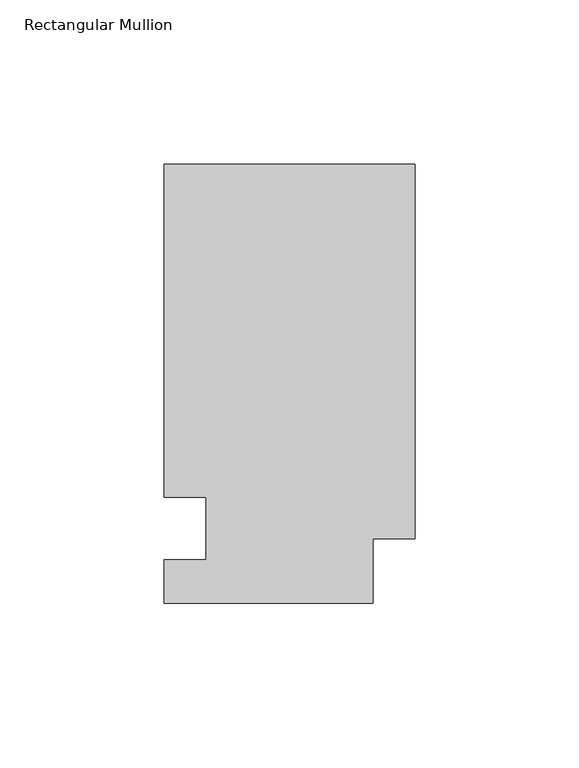
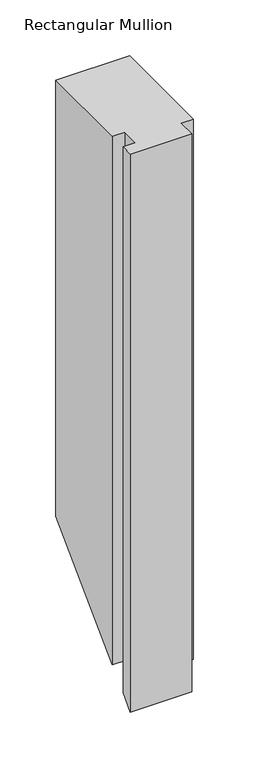
"""IFC4 building model written with IfcOpenShell, lengths in millimetres: member geometry, Rectangular Mullion."""

from ifc_helpers import new_model, si_unit, origin, place, context, project, spatial, faceted_brep, source, transform, mapped, element, save


def rectangular_mullion_7d2ed0de(model_context):
    return source(origin(), model_context, "Body", "Brep", [
        faceted_brep([(0.0, 133.4396938, 0.0), (-76.2, 133.4396938, 0.0), (-76.2, 32.2460937, 0.0), (-63.5, 32.2460938, 0.0), (-63.5, 13.1960937, 0.0), (-76.2, 13.1960937, 0.0), (-76.2, 0.0134937, 0.0), (-12.7, 0.0134937, 0.0), (-12.7, 19.5460937, 0.0), (0.0, 19.5460937, 0.0), (0.0, 133.4396938, -476.1648042), (-76.2, 133.4396938, -476.1648042), (-76.2, 32.2460937, -577.3584042), (-63.5, 32.2460937, -577.3584042), (-63.5, 13.1960937, -596.4084042), (-76.2, 13.1960937, -596.4084042), (-76.2, 0.0134937, -609.5910042), (-12.7, 0.0134937, -609.5910042), (-12.7, 19.5460937, -590.0584042), (0.0, 19.5460937, -590.0584042)], [[[0, 1, 2, 3, 4, 5, 6, 7, 8, 9]], [[1, 0, 10, 11]], [[2, 1, 11, 12]], [[3, 2, 12, 13]], [[4, 3, 13, 14]], [[5, 4, 14, 15]], [[6, 5, 15, 16]], [[7, 6, 16, 17]], [[8, 7, 17, 18]], [[9, 8, 18, 19]], [[0, 9, 19, 10]], [[10, 19, 18, 17, 16, 15, 14, 13, 12, 11]]]),
    ])


if __name__ == "__main__":
    model = new_model("IFC4")
    model_context = context("Model", 3, world=origin())
    ifc_project = project(units=[si_unit("LENGTHUNIT", "METRE", prefix="MILLI")], contexts=[model_context])
    site = spatial("IfcSite", under=ifc_project)
    building = spatial("IfcBuilding", under=site)
    placement = place(None, origin())
    rectangular_mullion_shape = rectangular_mullion_7d2ed0de(model_context)
    element("IfcMember", 1, ObjectType="Rectangular Mullion", at=placement, inside=building, context=model_context, shape_type="MappedRepresentation", body=[
        mapped(rectangular_mullion_shape, transform((0.0, 0.0, 0.0), x_axis=(1.0, 0.0, 0.0), y_axis=(0.0, 1.0, 0.0), z_axis=(0.0, 0.0, 1.0))),
    ])
    save(model, "model.ifc")
